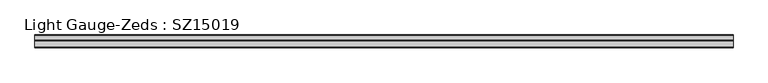
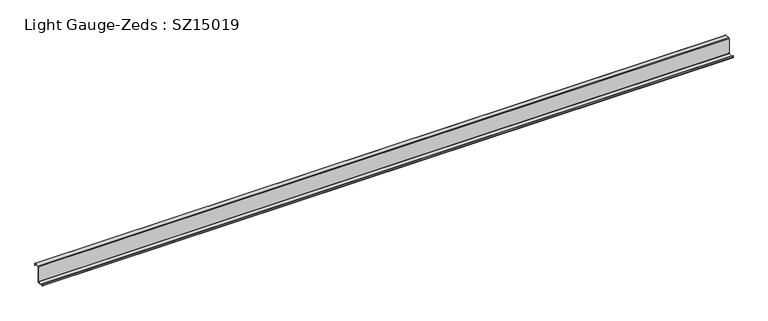
"""IFC4 building model written with IfcOpenShell, lengths in millimetres: beam geometry, Light Gauge-Zeds : SZ15019."""

from ifc_helpers import new_model, si_unit, point, frame, frame_2d, origin, place, context, project, spatial, polyline, circle_curve, trimmed, segment, composite_curve, outline, extrude, source, transform, mapped, element, save


def light_gauge_zeds_sz15019_dffa96f3(model_context):
    return source(origin(), model_context, "Body", "SweptSolid", [
        extrude(outline(composite_curve([segment(trimmed(circle_curve(frame_2d((-3.9, -72.1)), 3.9), [point((0.0, -72.1))], [point((-3.9, -76.0))], False, "CARTESIAN"), True, "CONTINUOUS"), segment(polyline([(-3.9, -76.0), (-63.6, -76.0)]), True, "CONTINUOUS"), segment(trimmed(circle_curve(frame_2d((-63.6, -72.1)), 3.9), [point((-63.6, -76.0))], [point((-67.5, -72.1))], False, "CARTESIAN"), True, "CONTINUOUS"), segment(polyline([(-67.5, -72.1), (-67.5, -57.0), (-65.6, -57.0), (-65.6, -72.1)]), True, "CONTINUOUS"), segment(trimmed(circle_curve(frame_2d((-63.6, -72.1)), 2.0), [point((-65.6, -72.1))], [point((-63.6, -74.1))], True, "CARTESIAN"), True, "CONTINUOUS"), segment(polyline([(-63.6, -74.1), (-3.9, -74.1)]), True, "CONTINUOUS"), segment(trimmed(circle_curve(frame_2d((-3.9, -72.1)), 2.0), [point((-3.9, -74.1))], [point((-1.9, -72.1))], True, "CARTESIAN"), True, "CONTINUOUS"), segment(polyline([(-1.9, -72.1), (-1.9, 72.1)]), True, "CONTINUOUS"), segment(trimmed(circle_curve(frame_2d((2.0, 72.1)), 3.9), [point((-1.9, 72.1))], [point((2.0, 76.0))], False, "CARTESIAN"), True, "CONTINUOUS"), segment(polyline([(2.0, 76.0), (46.6, 76.0)]), True, "CONTINUOUS"), segment(trimmed(circle_curve(frame_2d((46.6, 72.1)), 3.9), [point((46.6, 76.0))], [point((50.5, 72.1))], False, "CARTESIAN"), True, "CONTINUOUS"), segment(polyline([(50.5, 72.1), (50.5, 58.0), (48.6, 58.0), (48.6, 72.1)]), True, "CONTINUOUS"), segment(trimmed(circle_curve(frame_2d((46.6, 72.1)), 2.0), [point((48.6, 72.1))], [point((46.6, 74.1))], True, "CARTESIAN"), True, "CONTINUOUS"), segment(polyline([(46.6, 74.1), (2.0, 74.1)]), True, "CONTINUOUS"), segment(trimmed(circle_curve(frame_2d((2.0, 72.1)), 2.0), [point((2.0, 74.1))], [point((0.0, 72.1))], True, "CARTESIAN"), True, "CONTINUOUS"), segment(polyline([(0.0, 72.1), (0.0, -72.1)]), True, "CONTINUOUS")], self_intersect=False)), frame((-3316.5, 0.0, 0.0), z_axis=(1.0, 0.0, 0.0), x_axis=(0.0, 1.0, 0.0)), (0.0, 0.0, 1.0), 6403.0),
    ])


if __name__ == "__main__":
    model = new_model("IFC4")
    model_context = context("Model", 3, world=origin())
    ifc_project = project(units=[si_unit("LENGTHUNIT", "METRE", prefix="MILLI")], contexts=[model_context])
    site = spatial("IfcSite", under=ifc_project)
    building = spatial("IfcBuilding", under=site)
    placement = place(None, origin())
    light_gauge_zeds_sz15019_shape = light_gauge_zeds_sz15019_dffa96f3(model_context)
    element("IfcBeam", 1, ObjectType="Light Gauge-Zeds : SZ15019", at=placement, inside=building, context=model_context, shape_type="MappedRepresentation", body=[
        mapped(light_gauge_zeds_sz15019_shape, transform((0.0, 0.0, 0.0), x_axis=(1.0, 0.0, 0.0), y_axis=(0.0, 1.0, 0.0), z_axis=(0.0, 0.0, 1.0))),
    ])
    save(model, "model.ifc")
